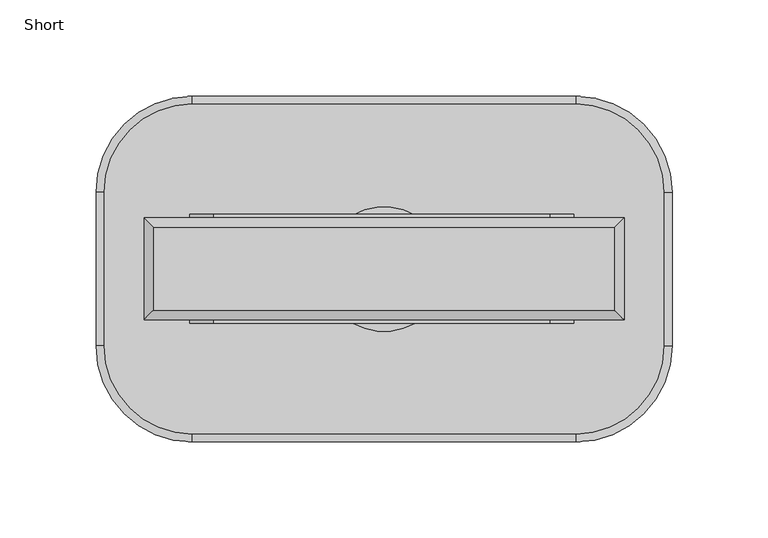
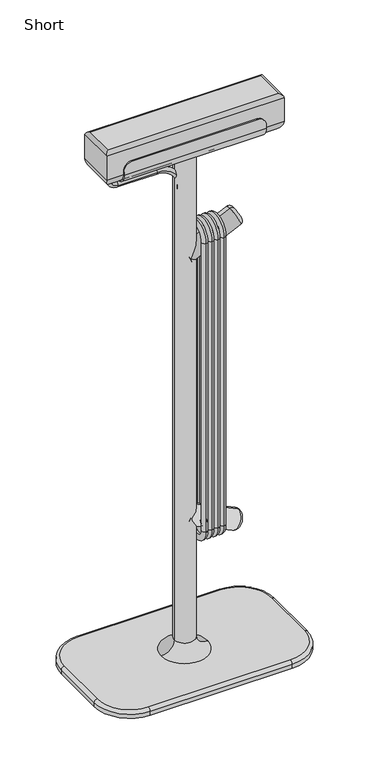
"""IFC4 building model written with IfcOpenShell, lengths in millimetres: furniture geometry, Short."""

from ifc_helpers import new_model, si_unit, point, frame, origin, place, context, project, spatial, polyline, circle_curve, ellipse_curve, trimmed, source, transform, mapped, element, save
from ifc_brep_helpers import plane_surface, cylinder_surface, revolved_surface, advanced_brep


def short_b7544786(model_context):
    return source(origin(), model_context, "Body", "AdvancedBrep", [
        advanced_brep(
        [(98.8922673, 26.5, 766.9), (98.8922673, 11.5, 751.9), (98.8922673, -11.5, 751.9), (98.8922673, -26.5, 766.9), (98.8922673, -26.5, 771.5), (98.8922673, -28.4, 771.5), (98.8922673, -28.4, 766.9010878), (98.8922673, -11.4989122, 750.0), (98.8922673, 11.5, 750.0), (98.8922673, 28.4, 766.9), (98.8922673, 28.4, 771.5), (98.8922673, 26.5, 771.5), (-101.1077081, 28.4, 766.9), (-101.1077081, 11.5, 750.0), (-101.1077081, -11.4989122, 750.0), (-101.1077081, -28.4, 766.9010878), (-101.1077081, -28.4, 771.5), (-101.1077081, -26.5, 771.5), (-101.1077081, -26.5, 766.9), (-101.1077081, -11.5, 751.9), (-101.1077081, 11.5, 751.9), (-101.1077081, 26.5, 766.9), (-101.1077081, 26.5, 771.5), (-101.1077081, 28.4, 771.5), (86.3922673, 26.5, 784.0), (-88.6077081, 26.5, 784.0), (-88.6077081, -26.5, 784.0), (86.3922673, -26.5, 784.0), (-88.6077081, -28.4, 784.0), (86.3922673, -28.4, 784.0), (-88.6077081, 28.4, 784.0), (86.3922673, 28.4, 784.0)],
        [
            (0, 1, circle_curve(frame((98.8922673, 11.5, 766.9), z_axis=(-1.0, 0.0, 0.0), x_axis=(0.0, 1.0, 0.0)), 15.0)),
            (1, 2),
            (2, 3, circle_curve(frame((98.8922673, -11.5, 766.9), z_axis=(-1.0, 0.0, 0.0), x_axis=(0.0, 1.0, 0.0)), 15.0)),
            (3, 4),
            (4, 5),
            (5, 6),
            (6, 7, circle_curve(frame((98.8922673, -11.4989122, 766.9010878), z_axis=(1.0, 0.0, 0.0), x_axis=(0.0, 1.0, 0.0)), 16.9010878)),
            (7, 8),
            (8, 9, circle_curve(frame((98.8922673, 11.5, 766.9), z_axis=(1.0, 0.0, 0.0), x_axis=(0.0, 1.0, 0.0)), 16.9)),
            (9, 10),
            (10, 11),
            (11, 0),
            (12, 13, circle_curve(frame((-101.1077081, 11.5, 766.9), z_axis=(-1.0, 0.0, 0.0), x_axis=(0.0, 1.0, 0.0)), 16.9)),
            (13, 14),
            (14, 15, circle_curve(frame((-101.1077081, -11.4989122, 766.9010878), z_axis=(-1.0, 0.0, 0.0), x_axis=(0.0, 1.0, 0.0)), 16.9010878)),
            (15, 16),
            (16, 17),
            (17, 18),
            (18, 19, circle_curve(frame((-101.1077081, -11.5, 766.9), z_axis=(1.0, 0.0, 0.0), x_axis=(0.0, 1.0, 0.0)), 15.0)),
            (19, 20),
            (20, 21, circle_curve(frame((-101.1077081, 11.5, 766.9), z_axis=(1.0, 0.0, 0.0), x_axis=(0.0, 1.0, 0.0)), 15.0)),
            (21, 22),
            (22, 23),
            (23, 12),
            (21, 0),
            (11, 24, circle_curve(frame((86.3922673, 26.5, 771.5), z_axis=(0.0, -1.0, 0.0), x_axis=(1.0, 0.0, 0.0)), 12.5)),
            (24, 25),
            (25, 22, circle_curve(frame((-88.6077081, 26.5, 771.5), z_axis=(0.0, -1.0, 0.0), x_axis=(1.0, 0.0, 0.0)), 12.5)),
            (20, 1),
            (19, 2),
            (18, 3),
            (17, 26, circle_curve(frame((-88.6077081, -26.5, 771.5), z_axis=(0.0, 1.0, 0.0), x_axis=(1.0, 0.0, 0.0)), 12.5)),
            (26, 27),
            (27, 4, circle_curve(frame((86.3922673, -26.5, 771.5), z_axis=(0.0, 1.0, 0.0), x_axis=(1.0, 0.0, 0.0)), 12.5)),
            (26, 28),
            (28, 29),
            (29, 27),
            (15, 6),
            (5, 29, circle_curve(frame((86.3922673, -28.4, 771.5), z_axis=(0.0, -1.0, 0.0), x_axis=(1.0, 0.0, 0.0)), 12.5)),
            (28, 16, circle_curve(frame((-88.6077081, -28.4, 771.5), z_axis=(0.0, -1.0, 0.0), x_axis=(1.0, 0.0, 0.0)), 12.5)),
            (14, 7),
            (13, 8),
            (12, 9),
            (23, 30, circle_curve(frame((-88.6077081, 28.4, 771.5), z_axis=(0.0, 1.0, 0.0), x_axis=(1.0, 0.0, 0.0)), 12.5)),
            (30, 31),
            (31, 10, circle_curve(frame((86.3922673, 28.4, 771.5), z_axis=(0.0, 1.0, 0.0), x_axis=(1.0, 0.0, 0.0)), 12.5)),
            (24, 31),
            (30, 25),
        ],
        [
            plane_surface(frame((98.8922673, 26.5, 784.0), z_axis=(1.0, 0.0, 0.0), x_axis=(0.0, 0.0, -1.0))),
            plane_surface(frame((-101.1077081, 26.5, 784.0), z_axis=(-1.0, 0.0, 0.0), x_axis=(0.0, 0.0, 1.0))),
            plane_surface(frame((98.8922673, 26.5, 784.0), z_axis=(0.0, -1.0, 0.0), x_axis=(-1.0, 0.0, 0.0))),
            revolved_surface(polyline([(-101.1077081, 26.5, 766.9), (98.89226729999999, 26.5, 766.9)]), (-101.1077081, 11.5, 766.9), (-1.0, 0.0, 0.0)),
            plane_surface(frame((98.8922673, 11.5, 751.9), z_axis=(0.0, 0.0, 1.0), x_axis=(-1.0, 0.0, 0.0))),
            revolved_surface(polyline([(-101.1077081, 3.5, 766.9), (98.89226729999999, 3.5, 766.9)]), (-101.1077081, -11.5, 766.9), (-1.0, 0.0, 0.0)),
            plane_surface(frame((98.8922673, -26.5, 766.9), z_axis=(0.0, 1.0, 0.0), x_axis=(-1.0, 0.0, 0.0))),
            plane_surface(frame((98.8922673, -26.5, 784.0), z_axis=(0.0, 0.0, 1.0), x_axis=(-1.0, 0.0, 0.0))),
            plane_surface(frame((98.8922673, -28.4, 784.0), z_axis=(0.0, -1.0, 0.0), x_axis=(-1.0, 0.0, 0.0))),
            cylinder_surface(frame((-101.1077081, -11.4989122, 766.9010878), z_axis=(1.0, 0.0, 0.0), x_axis=(0.0, 1.0, 0.0)), 16.9010878),
            plane_surface(frame((98.8922673, -11.4989122, 750.0), z_axis=(0.0, 0.0, -1.0), x_axis=(-1.0, 0.0, 0.0))),
            cylinder_surface(frame((-101.1077081, 11.5, 766.9), z_axis=(1.0, 0.0, 0.0), x_axis=(0.0, 1.0, 0.0)), 16.9),
            plane_surface(frame((98.8922673, 28.4, 766.9), z_axis=(0.0, 1.0, 0.0), x_axis=(-1.0, 0.0, 0.0))),
            plane_surface(frame((98.8922673, 28.4, 784.0), z_axis=(0.0, 0.0, 1.0), x_axis=(-1.0, 0.0, 0.0))),
            cylinder_surface(frame((-88.6077081, 90.0, 771.5), z_axis=(0.0, 1.0, 0.0), x_axis=(1.0, 0.0, 0.0)), 12.5),
            cylinder_surface(frame((86.3922673, 90.0, 771.5), z_axis=(0.0, 1.0, 0.0), x_axis=(1.0, 0.0, 0.0)), 12.5),
        ],
        [
            (0, [[1, 2, 3, 4, 5, 6, 7, 8, 9, 10, 11, 12]]),
            (1, [[13, 14, 15, 16, 17, 18, 19, 20, 21, 22, 23, 24]]),
            (2, [[25, -12, 26, 27, 28, -22]]),
            (3, [[-1, -25, -21, 29]]),
            (4, [[-2, -29, -20, 30]]),
            (5, [[-3, -30, -19, 31]]),
            (6, [[-31, -18, 32, 33, 34, -4]]),
            (7, [[-33, 35, 36, 37]]),
            (8, [[38, -6, 39, -36, 40, -16]]),
            (9, [[-7, -38, -15, 41]]),
            (10, [[-8, -41, -14, 42]]),
            (11, [[-9, -42, -13, 43]]),
            (12, [[-43, -24, 44, 45, 46, -10]]),
            (13, [[-27, 47, -45, 48]]),
            (14, [[-17, -40, -35, -32]]),
            (14, [[-23, -28, -48, -44]]),
            (15, [[-5, -34, -37, -39]]),
            (15, [[-11, -46, -47, -26]]),
        ],
    ),
        advanced_brep(
        [(-105.852797, 4.0, 765.8013473), (-105.852797, -4.0, 765.8013473), (-105.852797, 4.0, 744.9704551), (-105.852797, -4.0, 744.9704551), (-95.852797, -4.0, 734.9704551), (-95.852797, 4.0, 734.9704551), (-40.852797, 4.0, 734.9704551), (-40.852797, -4.0, 734.9704551), (-5.852797, -4.0, 699.9704551), (-5.852797, 4.0, 699.9704551), (-5.852797, 4.0, 696.8590643), (-5.852797, -4.0, 696.8590643)],
        [
            (0, 1, circle_curve(frame((-105.852797, 0.0, 765.8013473), z_axis=(0.0, 0.0, 1.0), x_axis=(0.0, -1.0, 0.0)), 4.0)),
            (1, 0, circle_curve(frame((-105.852797, 0.0, 765.8013473), z_axis=(0.0, 0.0, 1.0), x_axis=(0.0, -1.0, 0.0)), 4.0)),
            (0, 2),
            (2, 3, circle_curve(frame((-105.852797, 0.0, 744.9704551), z_axis=(0.0, 0.0, 1.0), x_axis=(0.0, -1.0, 0.0)), 4.0)),
            (3, 1),
            (3, 2, circle_curve(frame((-105.852797, 0.0, 744.9704551), z_axis=(0.0, 0.0, 1.0), x_axis=(0.0, -1.0, 0.0)), 4.0)),
            (4, 3, circle_curve(frame((-95.852797, -4.0, 744.9704551), z_axis=(0.0, 1.0, 0.0), x_axis=(-1.0, 0.0, 0.0)), 10.0)),
            (2, 5, circle_curve(frame((-95.852797, 4.0, 744.9704551), z_axis=(0.0, -1.0, 0.0), x_axis=(-1.0, 0.0, 0.0)), 10.0)),
            (5, 4, circle_curve(frame((-95.852797, 0.0, 734.9704551), z_axis=(-1.0, 0.0, 0.0), x_axis=(0.0, -1.0, 0.0)), 4.0)),
            (4, 5, circle_curve(frame((-95.852797, 0.0, 734.9704551), z_axis=(-1.0, 0.0, 0.0), x_axis=(0.0, -1.0, 0.0)), 4.0)),
            (5, 6),
            (6, 7, circle_curve(frame((-40.852797, 0.0, 734.9704551), z_axis=(-1.0, 0.0, 0.0), x_axis=(0.0, -1.0, 0.0)), 4.0)),
            (7, 4),
            (7, 6, circle_curve(frame((-40.852797, 0.0, 734.9704551), z_axis=(-1.0, 0.0, 0.0), x_axis=(0.0, -1.0, 0.0)), 4.0)),
            (8, 7, circle_curve(frame((-40.852797, -4.0, 699.9704551), z_axis=(0.0, -1.0, 0.0), x_axis=(0.0, 0.0, 1.0)), 35.0)),
            (6, 9, circle_curve(frame((-40.852797, 4.0, 699.9704551), z_axis=(0.0, 1.0, 0.0), x_axis=(0.0, 0.0, 1.0)), 35.0)),
            (9, 8, circle_curve(frame((-5.852797, 0.0, 699.9704551), z_axis=(0.0, 0.0, 1.0), x_axis=(0.0, -1.0, 0.0)), 4.0)),
            (8, 9, circle_curve(frame((-5.852797, 0.0, 699.9704551), z_axis=(0.0, 0.0, 1.0), x_axis=(0.0, -1.0, 0.0)), 4.0)),
            (10, 11, circle_curve(frame((-5.852797, 0.0, 696.8590643), z_axis=(0.0, 0.0, -1.0), x_axis=(0.0, -1.0, 0.0)), 4.0)),
            (11, 10, circle_curve(frame((-5.852797, 0.0, 696.8590643), z_axis=(0.0, 0.0, -1.0), x_axis=(0.0, -1.0, 0.0)), 4.0)),
            (9, 10),
            (11, 8),
        ],
        [
            plane_surface(frame((-105.852797, 0.0, 765.8013473), z_axis=(0.0, 0.0, 1.0), x_axis=(0.0, -1.0, 0.0))),
            cylinder_surface(frame((-105.852797, 0.0, 765.8013473), z_axis=(0.0, 0.0, 1.0), x_axis=(0.0, -1.0, 0.0)), 4.0),
            revolved_surface(trimmed(ellipse_curve(frame((-105.852797, 0.0, 744.9704551), z_axis=(0.0, 0.0, 1.0), x_axis=(0.0, -1.0, 0.0)), 4.0, 4.0), [point((-105.852797, 4.0, 744.9704551))], [point((-105.852797, -4.0, 744.9704551))], True, "CARTESIAN"), (-95.852797, 0.0, 744.9704551), (0.0, -1.0, 0.0)),
            revolved_surface(trimmed(ellipse_curve(frame((-105.852797, 0.0, 744.9704551), z_axis=(0.0, 0.0, 1.0), x_axis=(0.0, -1.0, 0.0)), 4.0, 4.0), [point((-105.852797, -4.0, 744.9704551))], [point((-105.852797, 4.0, 744.9704551))], True, "CARTESIAN"), (-95.852797, 0.0, 744.9704551), (0.0, -1.0, 0.0)),
            cylinder_surface(frame((-95.852797, 0.0, 734.9704551), z_axis=(-1.0, 0.0, 0.0), x_axis=(0.0, -1.0, 0.0)), 4.0),
            revolved_surface(trimmed(ellipse_curve(frame((-40.852797, 0.0, 734.9704551), z_axis=(-1.0, 0.0, 0.0), x_axis=(0.0, -1.0, 0.0)), 4.0, 4.0), [point((-40.852797, 4.0, 734.9704551))], [point((-40.852797, -4.0, 734.9704551))], True, "CARTESIAN"), (-40.852797, 0.0, 699.9704551), (0.0, 1.0, 0.0)),
            revolved_surface(trimmed(ellipse_curve(frame((-40.852797, 0.0, 734.9704551), z_axis=(-1.0, 0.0, 0.0), x_axis=(0.0, -1.0, 0.0)), 4.0, 4.0), [point((-40.852797, -4.0, 734.9704551))], [point((-40.852797, 4.0, 734.9704551))], True, "CARTESIAN"), (-40.852797, 0.0, 699.9704551), (0.0, 1.0, 0.0)),
            plane_surface(frame((-5.852797, 0.0, 696.8590643), z_axis=(0.0, 0.0, -1.0), x_axis=(0.0, -1.0, 0.0))),
            cylinder_surface(frame((-5.852797, 0.0, 699.9704551), z_axis=(0.0, 0.0, 1.0), x_axis=(0.0, -1.0, 0.0)), 4.0),
        ],
        [
            (0, [[1, 2]]),
            (1, [[-1, 3, 4, 5]]),
            (1, [[-2, -5, 6, -3]]),
            (2, [[7, -4, 8, 9]]),
            (3, [[-8, -6, -7, 10]]),
            (4, [[-9, 11, 12, 13]]),
            (4, [[-10, -13, 14, -11]]),
            (5, [[15, -12, 16, 17]]),
            (6, [[-16, -14, -15, 18]]),
            (7, [[19, 20]]),
            (8, [[-17, 21, -20, 22]]),
            (8, [[-18, -22, -19, -21]]),
        ],
    ),
        advanced_brep(
        [(5.9166557, 0.0, 585.2295086), (-5.9166557, 0.0, 610.6061266), (63.4618116, 0.0, 642.9578372), (75.2951229, 0.0, 617.5812192), (0.0, 0.0, 597.9178176), (77.7135705, 0.0, 624.2258494), (70.1064418, 0.0, 640.5393896), (73.9100062, 0.0, 632.3826195)],
        [
            (0, 1, circle_curve(frame((0.0, 0.0, 597.9178176), z_axis=(0.906307787036652, 0.0, 0.4226182617406954), x_axis=(-0.4226182617406953, 0.0, 0.9063077870366518)), 14.0)),
            (1, 2),
            (2, 3, circle_curve(frame((69.3784672, 0.0, 630.2695282), z_axis=(-0.906307787036652, 0.0, -0.4226182617406954), x_axis=(-0.4226182617406953, 0.0, 0.9063077870366518)), 14.0)),
            (3, 0),
            (1, 0, circle_curve(frame((0.0, 0.0, 597.9178176), z_axis=(0.906307787036652, 0.0, 0.4226182617406954), x_axis=(-0.4226182617406953, 0.0, 0.9063077870366518)), 14.0)),
            (3, 2, circle_curve(frame((69.3784672, 0.0, 630.2695282), z_axis=(-0.906307787036652, 0.0, -0.4226182617406954), x_axis=(-0.4226182617406953, 0.0, 0.9063077870366518)), 14.0)),
            (4, 1),
            (0, 4),
            (5, 6, circle_curve(frame((73.9100062, 0.0, 632.3826195), z_axis=(0.906307787036652, 0.0, 0.4226182617406954), x_axis=(-0.4226182617406953, 0.0, 0.9063077870366518)), 9.0)),
            (6, 7),
            (7, 5),
            (6, 5, circle_curve(frame((73.9100062, 0.0, 632.3826195), z_axis=(0.906307787036652, 0.0, 0.4226182617406954), x_axis=(-0.4226182617406953, 0.0, 0.9063077870366518)), 9.0)),
            (2, 6, circle_curve(frame((65.5749029, 0.0, 638.4262983), z_axis=(0.0, 1.0000000000000002, 0.0), x_axis=(1.0, 0.0, 0.0)), 5.0)),
            (5, 3, circle_curve(frame((73.1820316, 0.0, 622.1127581), z_axis=(0.0, 1.0000000000000002, 0.0), x_axis=(0.6427876096865464, 0.0, 0.7660444431189721)), 5.0)),
        ],
        [
            cylinder_surface(frame((82.973084, 0.0, 636.6088021), z_axis=(-0.9063077870366518, 0.0, -0.4226182617406953), x_axis=(-0.4226182617406953, 0.0, 0.9063077870366518)), 14.0),
            plane_surface(frame((0.0, 0.0, 597.9178176), z_axis=(-0.9063077870366519, 0.0, -0.42261826174069533), x_axis=(-0.42261826174069533, 0.0, 0.9063077870366519))),
            plane_surface(frame((73.9100062, 0.0, 632.3826195), z_axis=(0.9063077870366519, 0.0, 0.42261826174069533), x_axis=(-0.42261826174069533, 0.0, 0.9063077870366519))),
            revolved_surface(trimmed(ellipse_curve(frame((65.5749029, 0.0, 638.4262983), z_axis=(0.0, -1.0000000000000002, 0.0), x_axis=(1.0, 0.0, 0.0)), 5.0, 5.0), [point((70.1064418, 0.0, 640.5393896))], [point((63.4618116, 0.0, 642.9578372))], True, "CARTESIAN"), (82.973084, 0.0, 636.6088021), (-0.9063077870366518, 0.0, -0.4226182617406953)),
        ],
        [
            (0, [[1, 2, 3, 4]]),
            (0, [[5, -4, 6, -2]]),
            (1, [[7, -1, 8]]),
            (1, [[-8, -5, -7]]),
            (2, [[9, 10, 11]]),
            (2, [[12, -11, -10]]),
            (3, [[-3, 13, -9, 14]]),
            (3, [[-6, -14, -12, -13]]),
        ],
    ),
        advanced_brep(
        [(73.9100062, 0.0, 176.529813), (70.1064418, 0.0, 168.3730429), (77.7135705, 0.0, 184.6865831), (5.9166557, 0.0, 223.6829239), (-5.9166557, 0.0, 198.3063059), (0.0, 0.0, 210.9946149), (75.2951229, 0.0, 191.3312133), (63.4618116, 0.0, 165.9545953)],
        [
            (0, 1),
            (1, 2, circle_curve(frame((73.9100062, 0.0, 176.529813), z_axis=(0.9063077870366482, 0.0, -0.4226182617407033), x_axis=(-0.4226182617407033, 0.0, -0.9063077870366482)), 9.0)),
            (2, 0),
            (2, 1, circle_curve(frame((73.9100062, 0.0, 176.529813), z_axis=(0.9063077870366482, 0.0, -0.4226182617407033), x_axis=(-0.4226182617407033, 0.0, -0.9063077870366482)), 9.0)),
            (3, 4, circle_curve(frame((0.0, 0.0, 210.9946149), z_axis=(-0.9063077870366482, 0.0, 0.4226182617407033), x_axis=(-0.4226182617407033, 0.0, -0.9063077870366482)), 14.0)),
            (4, 5),
            (5, 3),
            (4, 3, circle_curve(frame((0.0, 0.0, 210.9946149), z_axis=(-0.9063077870366482, 0.0, 0.4226182617407033), x_axis=(-0.4226182617407033, 0.0, -0.9063077870366482)), 14.0)),
            (6, 7, circle_curve(frame((69.3784672, 0.0, 178.6429043), z_axis=(-0.9063077870366482, 0.0, 0.4226182617407033), x_axis=(-0.4226182617407033, 0.0, -0.9063077870366482)), 14.0)),
            (7, 4),
            (3, 6),
            (7, 6, circle_curve(frame((69.3784672, 0.0, 178.6429043), z_axis=(-0.9063077870366482, 0.0, 0.4226182617407033), x_axis=(-0.4226182617407033, 0.0, -0.9063077870366482)), 14.0)),
            (1, 7, circle_curve(frame((65.5749029, 0.0, 170.4861342), z_axis=(0.0, 1.0, 0.0), x_axis=(1.0, 0.0, 0.0)), 5.0)),
            (6, 2, circle_curve(frame((73.1820316, 0.0, 186.7996744), z_axis=(0.0, 1.0, 0.0), x_axis=(0.6427876096865328, 0.0, -0.7660444431189836)), 5.0)),
        ],
        [
            plane_surface(frame((73.9100062, 0.0, 176.529813), z_axis=(0.9063077870366482, 0.0, -0.4226182617407033), x_axis=(-0.4226182617407033, 0.0, -0.9063077870366482))),
            plane_surface(frame((0.0, 0.0, 210.9946149), z_axis=(-0.9063077870366482, 0.0, 0.4226182617407033), x_axis=(-0.4226182617407033, 0.0, -0.9063077870366482))),
            cylinder_surface(frame((78.4415451, 0.0, 174.4167217), z_axis=(0.9063077870366482, 0.0, -0.4226182617407033), x_axis=(-0.4226182617407033, 0.0, -0.9063077870366482)), 14.0),
            revolved_surface(trimmed(ellipse_curve(frame((65.5749029, 0.0, 170.4861342), z_axis=(0.0, -1.0, 0.0), x_axis=(1.0, 0.0, 0.0)), 5.0, 5.0), [point((63.4618116, 0.0, 165.9545953))], [point((70.1064418, 0.0, 168.3730429))], True, "CARTESIAN"), (78.4415451, 0.0, 174.4167217), (0.9063077870366482, 0.0, -0.4226182617407033)),
        ],
        [
            (0, [[1, 2, 3]]),
            (0, [[-3, 4, -1]]),
            (1, [[5, 6, 7]]),
            (1, [[8, -7, -6]]),
            (2, [[9, 10, -5, 11]]),
            (2, [[12, -11, -8, -10]]),
            (3, [[-2, 13, -9, 14]]),
            (3, [[-4, -14, -12, -13]]),
        ],
    ),
        advanced_brep(
        [(125.0, -26.5, 802.0), (125.0, -26.5, 766.9), (125.0, 26.5, 766.9), (125.0, 26.5, 802.0), (-125.0, 26.5, 802.0), (-125.0, 26.5, 766.9), (-125.0, -26.5, 766.9), (-125.0, -26.5, 802.0), (110.0, 11.5, 751.9), (110.0, -11.5, 751.9), (-110.0, -11.5, 751.9), (-110.0, 11.5, 751.9), (120.0, -21.5, 807.0), (120.0, 21.5, 807.0), (-120.0, 21.5, 807.0), (-120.0, -21.5, 807.0)],
        [
            (0, 1),
            (1, 2),
            (2, 3),
            (3, 0),
            (4, 5),
            (5, 6),
            (6, 7),
            (7, 4),
            (0, 7),
            (6, 1),
            (8, 9),
            (9, 10),
            (10, 11),
            (11, 8),
            (2, 5),
            (4, 3),
            (12, 13),
            (13, 14),
            (14, 15),
            (15, 12),
            (12, 0, ellipse_curve(frame((120.0, -21.5, 802.0), z_axis=(0.7071067811865475, 0.7071067811865475, 0.0), x_axis=(0.7071067811865474, -0.7071067811865476, 0.0)), 7.0710678, 5.0)),
            (3, 13, ellipse_curve(frame((120.0, 21.5, 802.0), z_axis=(0.7071067811865475, -0.7071067811865475, 0.0), x_axis=(-0.7071067811865474, -0.7071067811865476, 0.0)), 7.0710678, 5.0)),
            (1, 9, ellipse_curve(frame((110.0, -11.5, 766.9), z_axis=(0.7071067811865475, 0.7071067811865475, 0.0), x_axis=(0.7071067811865474, -0.7071067811865476, 0.0)), 21.2132034, 15.0)),
            (8, 2, ellipse_curve(frame((110.0, 11.5, 766.9), z_axis=(0.7071067811865475, -0.7071067811865475, 0.0), x_axis=(-0.7071067811865474, -0.7071067811865476, 0.0)), 21.2132034, 15.0)),
            (15, 7, ellipse_curve(frame((-120.0, -21.5, 802.0), z_axis=(0.7071067811865475, -0.7071067811865475, 0.0), x_axis=(-0.7071067811865476, -0.7071067811865474, 0.0)), 7.0710678, 5.0)),
            (6, 10, ellipse_curve(frame((-110.0, -11.5, 766.9), z_axis=(0.7071067811865475, -0.7071067811865475, 0.0), x_axis=(-0.7071067811865476, -0.7071067811865474, 0.0)), 21.2132034, 15.0)),
            (14, 4, ellipse_curve(frame((-120.0, 21.5, 802.0), z_axis=(-0.7071067811865475, -0.7071067811865475, 0.0), x_axis=(-0.7071067811865474, 0.7071067811865476, 0.0)), 7.0710678, 5.0)),
            (5, 11, ellipse_curve(frame((-110.0, 11.5, 766.9), z_axis=(-0.7071067811865475, -0.7071067811865475, 0.0), x_axis=(-0.7071067811865474, 0.7071067811865476, 0.0)), 21.2132034, 15.0)),
        ],
        [
            plane_surface(frame((125.0, -26.5, 807.0), z_axis=(1.0, 0.0, 0.0), x_axis=(0.0, 0.0, -1.0))),
            plane_surface(frame((-125.0, -26.5, 807.0), z_axis=(-1.0, 0.0, 0.0), x_axis=(0.0, 0.0, 1.0))),
            plane_surface(frame((125.0, -26.5, 807.0), z_axis=(0.0, -1.0, 0.0), x_axis=(-1.0, 0.0, 0.0))),
            plane_surface(frame((125.0, -26.5, 751.9), z_axis=(0.0, 0.0, -1.0), x_axis=(-1.0, 0.0, 0.0))),
            plane_surface(frame((125.0, 26.5, 751.9), z_axis=(0.0, 1.0, 0.0), x_axis=(-1.0, 0.0, 0.0))),
            plane_surface(frame((125.0, 26.5, 807.0), z_axis=(0.0, 0.0, 1.0), x_axis=(-1.0, 0.0, 0.0))),
            cylinder_surface(frame((120.0, 26.5, 802.0), z_axis=(0.0, -1.0, 0.0), x_axis=(1.0, 0.0, 0.0)), 5.0),
            cylinder_surface(frame((110.0, 26.5, 766.9), z_axis=(0.0, -1.0, 0.0), x_axis=(1.0, 0.0, 0.0)), 15.0),
            cylinder_surface(frame((125.0, -21.5, 802.0), z_axis=(-1.0, 0.0, 0.0), x_axis=(0.0, -1.0, 0.0)), 5.0),
            cylinder_surface(frame((125.0, -11.5, 766.9), z_axis=(-1.0, 0.0, 0.0), x_axis=(0.0, -1.0, 0.0)), 15.0),
            cylinder_surface(frame((-120.0, -26.5, 802.0), z_axis=(0.0, 1.0, 0.0), x_axis=(-1.0, 0.0, 0.0)), 5.0),
            cylinder_surface(frame((-110.0, -26.5, 766.9), z_axis=(0.0, 1.0, 0.0), x_axis=(-1.0, 0.0, 0.0)), 15.0),
            cylinder_surface(frame((-125.0, 21.5, 802.0), z_axis=(1.0, 0.0, 0.0), x_axis=(0.0, 1.0, 0.0)), 5.0),
            cylinder_surface(frame((-125.0, 11.5, 766.9), z_axis=(1.0, 0.0, 0.0), x_axis=(0.0, 1.0, 0.0)), 15.0),
        ],
        [
            (0, [[1, 2, 3, 4]]),
            (1, [[5, 6, 7, 8]]),
            (2, [[-1, 9, -7, 10]]),
            (3, [[11, 12, 13, 14]]),
            (4, [[-3, 15, -5, 16]]),
            (5, [[17, 18, 19, 20]]),
            (6, [[21, -4, 22, -17]]),
            (7, [[23, -11, 24, -2]]),
            (8, [[-21, -20, 25, -9]]),
            (9, [[-23, -10, 26, -12]]),
            (10, [[-25, -19, 27, -8]]),
            (11, [[-26, -6, 28, -13]]),
            (12, [[-22, -16, -27, -18]]),
            (13, [[-24, -14, -28, -15]]),
        ],
    ),
        advanced_brep(
        [(18.0, 22.0, 620.0), (18.0, -22.0, 620.0), (18.0, -14.0, 620.0), (18.0, 14.0, 620.0), (18.0, 14.0, 190.0), (18.0, 22.0, 190.0), (18.0, -22.0, 190.0), (18.0, -14.0, 190.0)],
        [
            (0, 1, circle_curve(frame((18.0, 0.0, 620.0), z_axis=(1.0, 0.0, 0.0), x_axis=(0.0, -1.0, 0.0)), 22.0)),
            (1, 2, circle_curve(frame((18.0, -18.0, 620.0), z_axis=(0.0, 0.0, 1.0), x_axis=(0.0, -1.0, 0.0)), 4.0)),
            (2, 3, circle_curve(frame((18.0, 0.0, 620.0), z_axis=(-1.0, 0.0, 0.0), x_axis=(0.0, -1.0, 0.0)), 14.0)),
            (3, 0, circle_curve(frame((18.0, 18.0, 620.0), z_axis=(0.0, 0.0, 1.0), x_axis=(0.0, 1.0, 0.0)), 4.0)),
            (2, 1, circle_curve(frame((18.0, -18.0, 620.0), z_axis=(0.0, 0.0, 1.0), x_axis=(0.0, -1.0, 0.0)), 4.0)),
            (0, 3, circle_curve(frame((18.0, 18.0, 620.0), z_axis=(0.0, 0.0, 1.0), x_axis=(0.0, 1.0, 0.0)), 4.0)),
            (3, 4),
            (4, 5, circle_curve(frame((18.0, 18.0, 190.0), z_axis=(0.0, 0.0, 1.0), x_axis=(0.0, 1.0, 0.0)), 4.0)),
            (5, 0),
            (5, 4, circle_curve(frame((18.0, 18.0, 190.0), z_axis=(0.0, 0.0, 1.0), x_axis=(0.0, 1.0, 0.0)), 4.0)),
            (6, 5, circle_curve(frame((18.0, 0.0, 190.0), z_axis=(1.0, 0.0, 0.0), x_axis=(0.0, 1.0, 0.0)), 22.0)),
            (4, 7, circle_curve(frame((18.0, 0.0, 190.0), z_axis=(-1.0, 0.0, 0.0), x_axis=(0.0, 1.0, 0.0)), 14.0)),
            (7, 6, circle_curve(frame((18.0, -18.0, 190.0), z_axis=(0.0, 0.0, -1.0), x_axis=(0.0, -1.0, 0.0)), 4.0)),
            (6, 7, circle_curve(frame((18.0, -18.0, 190.0), z_axis=(0.0, 0.0, -1.0), x_axis=(0.0, -1.0, 0.0)), 4.0)),
            (7, 2),
            (1, 6),
        ],
        [
            revolved_surface(trimmed(ellipse_curve(frame((18.0, -18.0, 620.0), z_axis=(0.0, 0.0, -1.0), x_axis=(0.0, -1.0, 0.0)), 4.0, 4.0), [point((18.0, -14.0, 620.0))], [point((18.0, -22.0, 620.0))], True, "CARTESIAN"), (18.0, 0.0, 620.0), (-1.0, 0.0, 0.0)),
            revolved_surface(trimmed(ellipse_curve(frame((18.0, -18.0, 620.0), z_axis=(0.0, 0.0, -1.0), x_axis=(0.0, -1.0, 0.0)), 4.0, 4.0), [point((18.0, -22.0, 620.0))], [point((18.0, -14.0, 620.0))], True, "CARTESIAN"), (18.0, 0.0, 620.0), (-1.0, 0.0, 0.0)),
            cylinder_surface(frame((18.0, 18.0, 620.0), z_axis=(0.0, 0.0, 1.0), x_axis=(0.0, 1.0, 0.0)), 4.0),
            revolved_surface(trimmed(ellipse_curve(frame((18.0, 18.0, 190.0), z_axis=(0.0, 0.0, 1.0), x_axis=(0.0, 1.0, 0.0)), 4.0, 4.0), [point((18.0, 14.0, 190.0))], [point((18.0, 22.0, 190.0))], True, "CARTESIAN"), (18.0, 0.0, 190.0), (-1.0, 0.0, 0.0)),
            revolved_surface(trimmed(ellipse_curve(frame((18.0, 18.0, 190.0), z_axis=(0.0, 0.0, 1.0), x_axis=(0.0, 1.0, 0.0)), 4.0, 4.0), [point((18.0, 22.0, 190.0))], [point((18.0, 14.0, 190.0))], True, "CARTESIAN"), (18.0, 0.0, 190.0), (-1.0, 0.0, 0.0)),
            cylinder_surface(frame((18.0, -18.0, 190.0), z_axis=(0.0, 0.0, -1.0), x_axis=(0.0, -1.0, 0.0)), 4.0),
        ],
        [
            (0, [[1, 2, 3, 4]]),
            (1, [[-3, 5, -1, 6]]),
            (2, [[-4, 7, 8, 9]]),
            (2, [[-6, -9, 10, -7]]),
            (3, [[11, -8, 12, 13]]),
            (4, [[-12, -10, -11, 14]]),
            (5, [[-13, 15, -2, 16]]),
            (5, [[-14, -16, -5, -15]]),
        ],
    ),
        advanced_brep(
        [(26.5, 22.0, 620.0), (26.5, -22.0, 620.0), (26.5, -14.0, 620.0), (26.5, 14.0, 620.0), (26.5, 14.0, 190.0), (26.5, 22.0, 190.0), (26.5, -22.0, 190.0), (26.5, -14.0, 190.0)],
        [
            (0, 1, circle_curve(frame((26.5, 0.0, 620.0), z_axis=(1.0, 0.0, 0.0), x_axis=(0.0, -1.0, 0.0)), 22.0)),
            (1, 2, circle_curve(frame((26.5, -18.0, 620.0), z_axis=(0.0, 0.0, 1.0), x_axis=(0.0, -1.0, 0.0)), 4.0)),
            (2, 3, circle_curve(frame((26.5, 0.0, 620.0), z_axis=(-1.0, 0.0, 0.0), x_axis=(0.0, -1.0, 0.0)), 14.0)),
            (3, 0, circle_curve(frame((26.5, 18.0, 620.0), z_axis=(0.0, 0.0, 1.0), x_axis=(0.0, 1.0, 0.0)), 4.0)),
            (2, 1, circle_curve(frame((26.5, -18.0, 620.0), z_axis=(0.0, 0.0, 1.0), x_axis=(0.0, -1.0, 0.0)), 4.0)),
            (0, 3, circle_curve(frame((26.5, 18.0, 620.0), z_axis=(0.0, 0.0, 1.0), x_axis=(0.0, 1.0, 0.0)), 4.0)),
            (3, 4),
            (4, 5, circle_curve(frame((26.5, 18.0, 190.0), z_axis=(0.0, 0.0, 1.0), x_axis=(0.0, 1.0, 0.0)), 4.0)),
            (5, 0),
            (5, 4, circle_curve(frame((26.5, 18.0, 190.0), z_axis=(0.0, 0.0, 1.0), x_axis=(0.0, 1.0, 0.0)), 4.0)),
            (6, 5, circle_curve(frame((26.5, 0.0, 190.0), z_axis=(1.0, 0.0, 0.0), x_axis=(0.0, 1.0, 0.0)), 22.0)),
            (4, 7, circle_curve(frame((26.5, 0.0, 190.0), z_axis=(-1.0, 0.0, 0.0), x_axis=(0.0, 1.0, 0.0)), 14.0)),
            (7, 6, circle_curve(frame((26.5, -18.0, 190.0), z_axis=(0.0, 0.0, -1.0), x_axis=(0.0, -1.0, 0.0)), 4.0)),
            (6, 7, circle_curve(frame((26.5, -18.0, 190.0), z_axis=(0.0, 0.0, -1.0), x_axis=(0.0, -1.0, 0.0)), 4.0)),
            (7, 2),
            (1, 6),
        ],
        [
            revolved_surface(trimmed(ellipse_curve(frame((26.5, -18.0, 620.0), z_axis=(0.0, 0.0, -1.0), x_axis=(0.0, -1.0, 0.0)), 4.0, 4.0), [point((26.5, -14.0, 620.0))], [point((26.5, -22.0, 620.0))], True, "CARTESIAN"), (18.0, 0.0, 620.0), (-1.0, 0.0, 0.0)),
            revolved_surface(trimmed(ellipse_curve(frame((26.5, -18.0, 620.0), z_axis=(0.0, 0.0, -1.0), x_axis=(0.0, -1.0, 0.0)), 4.0, 4.0), [point((26.5, -22.0, 620.0))], [point((26.5, -14.0, 620.0))], True, "CARTESIAN"), (18.0, 0.0, 620.0), (-1.0, 0.0, 0.0)),
            cylinder_surface(frame((26.5, 18.0, 620.0), z_axis=(0.0, 0.0, 1.0), x_axis=(0.0, 1.0, 0.0)), 4.0),
            revolved_surface(trimmed(ellipse_curve(frame((26.5, 18.0, 190.0), z_axis=(0.0, 0.0, 1.0), x_axis=(0.0, 1.0, 0.0)), 4.0, 4.0), [point((26.5, 14.0, 190.0))], [point((26.5, 22.0, 190.0))], True, "CARTESIAN"), (18.0, 0.0, 190.0), (-1.0, 0.0, 0.0)),
            revolved_surface(trimmed(ellipse_curve(frame((26.5, 18.0, 190.0), z_axis=(0.0, 0.0, 1.0), x_axis=(0.0, 1.0, 0.0)), 4.0, 4.0), [point((26.5, 22.0, 190.0))], [point((26.5, 14.0, 190.0))], True, "CARTESIAN"), (18.0, 0.0, 190.0), (-1.0, 0.0, 0.0)),
            cylinder_surface(frame((26.5, -18.0, 190.0), z_axis=(0.0, 0.0, -1.0), x_axis=(0.0, -1.0, 0.0)), 4.0),
        ],
        [
            (0, [[1, 2, 3, 4]]),
            (1, [[-3, 5, -1, 6]]),
            (2, [[-4, 7, 8, 9]]),
            (2, [[-6, -9, 10, -7]]),
            (3, [[11, -8, 12, 13]]),
            (4, [[-12, -10, -11, 14]]),
            (5, [[-13, 15, -2, 16]]),
            (5, [[-14, -16, -5, -15]]),
        ],
    ),
        advanced_brep(
        [(35.0, 22.0, 620.0), (35.0, -22.0, 620.0), (35.0, -14.0, 620.0), (35.0, 14.0, 620.0), (35.0, 14.0, 190.0), (35.0, 22.0, 190.0), (35.0, -22.0, 190.0), (35.0, -14.0, 190.0)],
        [
            (0, 1, circle_curve(frame((35.0, 0.0, 620.0), z_axis=(1.0, 0.0, 0.0), x_axis=(0.0, -1.0, 0.0)), 22.0)),
            (1, 2, circle_curve(frame((35.0, -18.0, 620.0), z_axis=(0.0, 0.0, 1.0), x_axis=(0.0, -1.0, 0.0)), 4.0)),
            (2, 3, circle_curve(frame((35.0, 0.0, 620.0), z_axis=(-1.0, 0.0, 0.0), x_axis=(0.0, -1.0, 0.0)), 14.0)),
            (3, 0, circle_curve(frame((35.0, 18.0, 620.0), z_axis=(0.0, 0.0, 1.0), x_axis=(0.0, 1.0, 0.0)), 4.0)),
            (2, 1, circle_curve(frame((35.0, -18.0, 620.0), z_axis=(0.0, 0.0, 1.0), x_axis=(0.0, -1.0, 0.0)), 4.0)),
            (0, 3, circle_curve(frame((35.0, 18.0, 620.0), z_axis=(0.0, 0.0, 1.0), x_axis=(0.0, 1.0, 0.0)), 4.0)),
            (3, 4),
            (4, 5, circle_curve(frame((35.0, 18.0, 190.0), z_axis=(0.0, 0.0, 1.0), x_axis=(0.0, 1.0, 0.0)), 4.0)),
            (5, 0),
            (5, 4, circle_curve(frame((35.0, 18.0, 190.0), z_axis=(0.0, 0.0, 1.0), x_axis=(0.0, 1.0, 0.0)), 4.0)),
            (6, 5, circle_curve(frame((35.0, 0.0, 190.0), z_axis=(1.0, 0.0, 0.0), x_axis=(0.0, 1.0, 0.0)), 22.0)),
            (4, 7, circle_curve(frame((35.0, 0.0, 190.0), z_axis=(-1.0, 0.0, 0.0), x_axis=(0.0, 1.0, 0.0)), 14.0)),
            (7, 6, circle_curve(frame((35.0, -18.0, 190.0), z_axis=(0.0, 0.0, -1.0), x_axis=(0.0, -1.0, 0.0)), 4.0)),
            (6, 7, circle_curve(frame((35.0, -18.0, 190.0), z_axis=(0.0, 0.0, -1.0), x_axis=(0.0, -1.0, 0.0)), 4.0)),
            (7, 2),
            (1, 6),
        ],
        [
            revolved_surface(trimmed(ellipse_curve(frame((35.0, -18.0, 620.0), z_axis=(0.0, 0.0, -1.0), x_axis=(0.0, -1.0, 0.0)), 4.0, 4.0), [point((35.0, -14.0, 620.0))], [point((35.0, -22.0, 620.0))], True, "CARTESIAN"), (18.0, 0.0, 620.0), (-1.0, 0.0, 0.0)),
            revolved_surface(trimmed(ellipse_curve(frame((35.0, -18.0, 620.0), z_axis=(0.0, 0.0, -1.0), x_axis=(0.0, -1.0, 0.0)), 4.0, 4.0), [point((35.0, -22.0, 620.0))], [point((35.0, -14.0, 620.0))], True, "CARTESIAN"), (18.0, 0.0, 620.0), (-1.0, 0.0, 0.0)),
            cylinder_surface(frame((35.0, 18.0, 620.0), z_axis=(0.0, 0.0, 1.0), x_axis=(0.0, 1.0, 0.0)), 4.0),
            revolved_surface(trimmed(ellipse_curve(frame((35.0, 18.0, 190.0), z_axis=(0.0, 0.0, 1.0), x_axis=(0.0, 1.0, 0.0)), 4.0, 4.0), [point((35.0, 14.0, 190.0))], [point((35.0, 22.0, 190.0))], True, "CARTESIAN"), (18.0, 0.0, 190.0), (-1.0, 0.0, 0.0)),
            revolved_surface(trimmed(ellipse_curve(frame((35.0, 18.0, 190.0), z_axis=(0.0, 0.0, 1.0), x_axis=(0.0, 1.0, 0.0)), 4.0, 4.0), [point((35.0, 22.0, 190.0))], [point((35.0, 14.0, 190.0))], True, "CARTESIAN"), (18.0, 0.0, 190.0), (-1.0, 0.0, 0.0)),
            cylinder_surface(frame((35.0, -18.0, 190.0), z_axis=(0.0, 0.0, -1.0), x_axis=(0.0, -1.0, 0.0)), 4.0),
        ],
        [
            (0, [[1, 2, 3, 4]]),
            (1, [[-3, 5, -1, 6]]),
            (2, [[-4, 7, 8, 9]]),
            (2, [[-6, -9, 10, -7]]),
            (3, [[11, -8, 12, 13]]),
            (4, [[-12, -10, -11, 14]]),
            (5, [[-13, 15, -2, 16]]),
            (5, [[-14, -16, -5, -15]]),
        ],
    ),
        advanced_brep(
        [(43.5, 22.0, 620.0), (43.5, -22.0, 620.0), (43.5, -14.0, 620.0), (43.5, 14.0, 620.0), (43.5, 14.0, 190.0), (43.5, 22.0, 190.0), (43.5, -22.0, 190.0), (43.5, -14.0, 190.0)],
        [
            (0, 1, circle_curve(frame((43.5, 0.0, 620.0), z_axis=(1.0, 0.0, 0.0), x_axis=(0.0, -1.0, 0.0)), 22.0)),
            (1, 2, circle_curve(frame((43.5, -18.0, 620.0), z_axis=(0.0, 0.0, 1.0), x_axis=(0.0, -1.0, 0.0)), 4.0)),
            (2, 3, circle_curve(frame((43.5, 0.0, 620.0), z_axis=(-1.0, 0.0, 0.0), x_axis=(0.0, -1.0, 0.0)), 14.0)),
            (3, 0, circle_curve(frame((43.5, 18.0, 620.0), z_axis=(0.0, 0.0, 1.0), x_axis=(0.0, 1.0, 0.0)), 4.0)),
            (2, 1, circle_curve(frame((43.5, -18.0, 620.0), z_axis=(0.0, 0.0, 1.0), x_axis=(0.0, -1.0, 0.0)), 4.0)),
            (0, 3, circle_curve(frame((43.5, 18.0, 620.0), z_axis=(0.0, 0.0, 1.0), x_axis=(0.0, 1.0, 0.0)), 4.0)),
            (3, 4),
            (4, 5, circle_curve(frame((43.5, 18.0, 190.0), z_axis=(0.0, 0.0, 1.0), x_axis=(0.0, 1.0, 0.0)), 4.0)),
            (5, 0),
            (5, 4, circle_curve(frame((43.5, 18.0, 190.0), z_axis=(0.0, 0.0, 1.0), x_axis=(0.0, 1.0, 0.0)), 4.0)),
            (6, 5, circle_curve(frame((43.5, 0.0, 190.0), z_axis=(1.0, 0.0, 0.0), x_axis=(0.0, 1.0, 0.0)), 22.0)),
            (4, 7, circle_curve(frame((43.5, 0.0, 190.0), z_axis=(-1.0, 0.0, 0.0), x_axis=(0.0, 1.0, 0.0)), 14.0)),
            (7, 6, circle_curve(frame((43.5, -18.0, 190.0), z_axis=(0.0, 0.0, -1.0), x_axis=(0.0, -1.0, 0.0)), 4.0)),
            (6, 7, circle_curve(frame((43.5, -18.0, 190.0), z_axis=(0.0, 0.0, -1.0), x_axis=(0.0, -1.0, 0.0)), 4.0)),
            (7, 2),
            (1, 6),
        ],
        [
            revolved_surface(trimmed(ellipse_curve(frame((43.5, -18.0, 620.0), z_axis=(0.0, 0.0, -1.0), x_axis=(0.0, -1.0, 0.0)), 4.0, 4.0), [point((43.5, -14.0, 620.0))], [point((43.5, -22.0, 620.0))], True, "CARTESIAN"), (18.0, 0.0, 620.0), (-1.0, 0.0, 0.0)),
            revolved_surface(trimmed(ellipse_curve(frame((43.5, -18.0, 620.0), z_axis=(0.0, 0.0, -1.0), x_axis=(0.0, -1.0, 0.0)), 4.0, 4.0), [point((43.5, -22.0, 620.0))], [point((43.5, -14.0, 620.0))], True, "CARTESIAN"), (18.0, 0.0, 620.0), (-1.0, 0.0, 0.0)),
            cylinder_surface(frame((43.5, 18.0, 620.0), z_axis=(0.0, 0.0, 1.0), x_axis=(0.0, 1.0, 0.0)), 4.0),
            revolved_surface(trimmed(ellipse_curve(frame((43.5, 18.0, 190.0), z_axis=(0.0, 0.0, 1.0), x_axis=(0.0, 1.0, 0.0)), 4.0, 4.0), [point((43.5, 14.0, 190.0))], [point((43.5, 22.0, 190.0))], True, "CARTESIAN"), (18.0, 0.0, 190.0), (-1.0, 0.0, 0.0)),
            revolved_surface(trimmed(ellipse_curve(frame((43.5, 18.0, 190.0), z_axis=(0.0, 0.0, 1.0), x_axis=(0.0, 1.0, 0.0)), 4.0, 4.0), [point((43.5, 22.0, 190.0))], [point((43.5, 14.0, 190.0))], True, "CARTESIAN"), (18.0, 0.0, 190.0), (-1.0, 0.0, 0.0)),
            cylinder_surface(frame((43.5, -18.0, 190.0), z_axis=(0.0, 0.0, -1.0), x_axis=(0.0, -1.0, 0.0)), 4.0),
        ],
        [
            (0, [[1, 2, 3, 4]]),
            (1, [[-3, 5, -1, 6]]),
            (2, [[-4, 7, 8, 9]]),
            (2, [[-6, -9, 10, -7]]),
            (3, [[11, -8, 12, 13]]),
            (4, [[-12, -10, -11, 14]]),
            (5, [[-13, 15, -2, 16]]),
            (5, [[-14, -16, -5, -15]]),
        ],
    ),
        advanced_brep(
        [(150.0, 40.0, 6.0), (100.0, 90.0, 6.0), (100.0, 86.0, 10.0), (146.0, 40.0, 10.0), (150.0, 40.0, 0.0), (100.0, 90.0, 0.0), (146.0, -40.0, 10.0), (150.0, -40.0, 6.0), (150.0, -40.0, 0.0), (100.0, -86.0, 10.0), (100.0, -90.0, 6.0), (100.0, -90.0, 0.0), (-100.0, -86.0, 10.0), (-100.0, -90.0, 6.0), (-100.0, -90.0, 0.0), (-146.0, -40.0, 10.0), (-150.0, -40.0, 6.0), (-150.0, -40.0, 0.0), (-146.0, 40.0, 10.0), (-150.0, 40.0, 6.0), (-150.0, 40.0, 0.0), (-100.0, 86.0, 10.0), (-100.0, 90.0, 6.0), (-100.0, 90.0, 0.0), (-32.5, 0.0, 10.0), (32.5, 0.0, 10.0), (14.5, 0.0, 750.0), (-14.5, 0.0, 750.0), (0.0, 0.0, 750.0), (14.5, 0.0, 28.0), (-14.5, 0.0, 28.0)],
        [
            (0, 1, circle_curve(frame((100.0, 40.0, 6.0), z_axis=(0.0, 0.0, 1.0), x_axis=(0.0, 1.0, 0.0)), 50.0)),
            (1, 2, circle_curve(frame((100.0, 86.0, 6.0), z_axis=(1.0, 0.0, 0.0), x_axis=(0.0, 1.0, 0.0)), 4.0)),
            (2, 3, circle_curve(frame((100.0, 40.0, 10.0), z_axis=(0.0, 0.0, -1.0), x_axis=(0.0, 1.0, 0.0)), 46.0)),
            (3, 0, circle_curve(frame((146.0, 40.0, 6.0), z_axis=(0.0, 1.0, 0.0), x_axis=(1.0, 0.0, 0.0)), 4.0)),
            (0, 4),
            (4, 5, circle_curve(frame((100.0, 40.0, 0.0), z_axis=(0.0, 0.0, 1.0), x_axis=(0.0, 1.0, 0.0)), 50.0)),
            (5, 1),
            (3, 6),
            (6, 7, circle_curve(frame((146.0, -40.0, 6.0), z_axis=(0.0, 1.0, 0.0), x_axis=(1.0, 0.0, 0.0)), 4.0)),
            (7, 0),
            (7, 8),
            (8, 4),
            (6, 9, circle_curve(frame((100.0, -40.0, 10.0), z_axis=(0.0, 0.0, -1.0), x_axis=(1.0, 0.0, 0.0)), 46.0)),
            (9, 10, circle_curve(frame((100.0, -86.0, 6.0), z_axis=(1.0, 0.0, 0.0), x_axis=(0.0, -1.0, 0.0)), 4.0)),
            (10, 7, circle_curve(frame((100.0, -40.0, 6.0), z_axis=(0.0, 0.0, 1.0), x_axis=(1.0, 0.0, 0.0)), 50.0)),
            (10, 11),
            (11, 8, circle_curve(frame((100.0, -40.0, 0.0), z_axis=(0.0, 0.0, 1.0), x_axis=(1.0, 0.0, 0.0)), 50.0)),
            (9, 12),
            (12, 13, circle_curve(frame((-100.0, -86.0, 6.0), z_axis=(1.0, 0.0, 0.0), x_axis=(0.0, -1.0, 0.0)), 4.0)),
            (13, 10),
            (13, 14),
            (14, 11),
            (12, 15, circle_curve(frame((-100.0, -40.0, 10.0), z_axis=(0.0, 0.0, -1.0), x_axis=(0.0, -1.0, 0.0)), 46.0)),
            (15, 16, circle_curve(frame((-146.0, -40.0, 6.0), z_axis=(0.0, -1.0, 0.0), x_axis=(-1.0, 0.0, 0.0)), 4.0)),
            (16, 13, circle_curve(frame((-100.0, -40.0, 6.0), z_axis=(0.0, 0.0, 1.0), x_axis=(0.0, -1.0, 0.0)), 50.0)),
            (16, 17),
            (17, 14, circle_curve(frame((-100.0, -40.0, 0.0), z_axis=(0.0, 0.0, 1.0), x_axis=(0.0, -1.0, 0.0)), 50.0)),
            (15, 18),
            (18, 19, circle_curve(frame((-146.0, 40.0, 6.0), z_axis=(0.0, -1.0, 0.0), x_axis=(-1.0, 0.0, 0.0)), 4.0)),
            (19, 16),
            (19, 20),
            (20, 17),
            (18, 21, circle_curve(frame((-100.0, 40.0, 10.0), z_axis=(0.0, 0.0, -1.0), x_axis=(-1.0, 0.0, 0.0)), 46.0)),
            (21, 22, circle_curve(frame((-100.0, 86.0, 6.0), z_axis=(-1.0, 0.0, 0.0), x_axis=(0.0, 1.0, 0.0)), 4.0)),
            (22, 19, circle_curve(frame((-100.0, 40.0, 6.0), z_axis=(0.0, 0.0, 1.0), x_axis=(-1.0, 0.0, 0.0)), 50.0)),
            (22, 23),
            (23, 20, circle_curve(frame((-100.0, 40.0, 0.0), z_axis=(0.0, 0.0, 1.0), x_axis=(-1.0, 0.0, 0.0)), 50.0)),
            (1, 22),
            (21, 2),
            (5, 23),
            (24, 25, circle_curve(frame((0.0, 0.0, 10.0), z_axis=(0.0, 0.0, -1.0), x_axis=(-1.0, 0.0, 0.0)), 32.5)),
            (25, 24, circle_curve(frame((0.0, 0.0, 10.0), z_axis=(0.0, 0.0, -1.0), x_axis=(-1.0, 0.0, 0.0)), 32.5)),
            (26, 27, circle_curve(frame((0.0, 0.0, 750.0), z_axis=(0.0, 0.0, 1.0), x_axis=(-1.0, 0.0, 0.0)), 14.5)),
            (27, 28),
            (28, 26),
            (27, 26, circle_curve(frame((0.0, 0.0, 750.0), z_axis=(0.0, 0.0, 1.0), x_axis=(-1.0, 0.0, 0.0)), 14.5)),
            (26, 29),
            (29, 30, circle_curve(frame((0.0, 0.0, 28.0), z_axis=(0.0, 0.0, 1.0), x_axis=(-1.0, 0.0, 0.0)), 14.5)),
            (30, 27),
            (30, 29, circle_curve(frame((0.0, 0.0, 28.0), z_axis=(0.0, 0.0, 1.0), x_axis=(-1.0, 0.0, 0.0)), 14.5)),
            (29, 25, circle_curve(frame((32.5, 0.0, 28.0), z_axis=(0.0, -1.0, 0.0), x_axis=(-1.0, 0.0, 0.0)), 18.0)),
            (24, 30, circle_curve(frame((-32.5, 0.0, 28.0), z_axis=(0.0, -1.0, 0.0), x_axis=(1.0, 0.0, 0.0)), 18.0)),
        ],
        [
            revolved_surface(trimmed(ellipse_curve(frame((100.0, 86.0, 6.0), z_axis=(-1.0, 0.0, 0.0), x_axis=(0.0, 1.0, 0.0)), 4.0, 4.0), [point((100.0, 86.0, 10.0))], [point((100.0, 90.0, 6.0))], True, "CARTESIAN"), (100.0, 40.0, 0.0), (0.0, 0.0, -1.0)),
            cylinder_surface(frame((100.0, 40.0, 0.0), z_axis=(0.0, 0.0, -1.0), x_axis=(0.0, 1.0, 0.0)), 50.0),
            cylinder_surface(frame((146.0, 40.0, 6.0), z_axis=(0.0, 1.0, 0.0), x_axis=(1.0, 0.0, 0.0)), 4.0),
            plane_surface(frame((150.0, 40.0, 6.0), z_axis=(1.0, 0.0, 0.0), x_axis=(0.0, -1.0, 0.0))),
            revolved_surface(trimmed(ellipse_curve(frame((146.0, -40.0, 6.0), z_axis=(0.0, 1.0, 0.0), x_axis=(1.0, 0.0, 0.0)), 4.0, 4.0), [point((146.0, -40.0, 10.0))], [point((150.0, -40.0, 6.0))], True, "CARTESIAN"), (100.0, -40.0, 0.0), (0.0, 0.0, -1.0)),
            cylinder_surface(frame((100.0, -40.0, 0.0), z_axis=(0.0, 0.0, -1.0), x_axis=(1.0, 0.0, 0.0)), 50.0),
            cylinder_surface(frame((100.0, -86.0, 6.0), z_axis=(1.0, 0.0, 0.0), x_axis=(0.0, -1.0, 0.0)), 4.0),
            plane_surface(frame((100.0, -90.0, 6.0), z_axis=(0.0, -1.0, 0.0), x_axis=(-1.0, 0.0, 0.0))),
            revolved_surface(trimmed(ellipse_curve(frame((-100.0, -86.0, 6.0), z_axis=(1.0, 0.0, 0.0), x_axis=(0.0, -1.0, 0.0)), 4.0, 4.0), [point((-100.0, -86.0, 10.0))], [point((-100.0, -90.0, 6.0))], True, "CARTESIAN"), (-100.0, -40.0, 0.0), (0.0, 0.0, -1.0)),
            cylinder_surface(frame((-100.0, -40.0, 0.0), z_axis=(0.0, 0.0, -1.0), x_axis=(0.0, -1.0, 0.0)), 50.0),
            cylinder_surface(frame((-146.0, -40.0, 6.0), z_axis=(0.0, -1.0, 0.0), x_axis=(-1.0, 0.0, 0.0)), 4.0),
            plane_surface(frame((-150.0, -40.0, 6.0), z_axis=(-1.0, 0.0, 0.0), x_axis=(0.0, 1.0, 0.0))),
            revolved_surface(trimmed(ellipse_curve(frame((-146.0, 40.0, 6.0), z_axis=(0.0, -1.0, 0.0), x_axis=(-1.0, 0.0, 0.0)), 4.0, 4.0), [point((-146.0, 40.0, 10.0))], [point((-150.0, 40.0, 6.0))], True, "CARTESIAN"), (-100.0, 40.0, 0.0), (0.0, 0.0, -1.0)),
            cylinder_surface(frame((-100.0, 40.0, 0.0), z_axis=(0.0, 0.0, -1.0), x_axis=(-1.0, 0.0, 0.0)), 50.0),
            cylinder_surface(frame((-100.0, 86.0, 6.0), z_axis=(-1.0, 0.0, 0.0), x_axis=(0.0, 1.0, 0.0)), 4.0),
            plane_surface(frame((-100.0, 90.0, 6.0), z_axis=(0.0, 1.0, 0.0), x_axis=(1.0, 0.0, 0.0))),
            plane_surface(frame((-100.0, 90.0, 0.0), z_axis=(0.0, 0.0, -1.0), x_axis=(1.0, 0.0, 0.0))),
            plane_surface(frame((-100.0, 75.0, 10.0), z_axis=(0.0, 0.0, 1.0), x_axis=(1.0, 0.0, 0.0))),
            plane_surface(frame((0.0, 0.0, 750.0), z_axis=(0.0, 0.0, 1.0), x_axis=(-1.0, 0.0, 0.0))),
            cylinder_surface(frame((0.0, 0.0, -30.0), z_axis=(0.0, 0.0, -1.0), x_axis=(-1.0, 0.0, 0.0)), 14.5),
            revolved_surface(trimmed(ellipse_curve(frame((-32.5, 0.0, 28.0), z_axis=(0.0, 1.0, 0.0), x_axis=(1.0, 0.0, 0.0)), 18.0, 18.0), [point((-14.5, 0.0, 28.0))], [point((-32.5, 0.0, 10.0))], True, "CARTESIAN"), (0.0, 0.0, -30.0), (0.0, 0.0, -1.0)),
        ],
        [
            (0, [[1, 2, 3, 4]]),
            (1, [[-1, 5, 6, 7]]),
            (2, [[-4, 8, 9, 10]]),
            (3, [[-5, -10, 11, 12]]),
            (4, [[-9, 13, 14, 15]]),
            (5, [[-11, -15, 16, 17]]),
            (6, [[-14, 18, 19, 20]]),
            (7, [[-16, -20, 21, 22]]),
            (8, [[-19, 23, 24, 25]]),
            (9, [[-21, -25, 26, 27]]),
            (10, [[-24, 28, 29, 30]]),
            (11, [[-26, -30, 31, 32]]),
            (12, [[-29, 33, 34, 35]]),
            (13, [[-31, -35, 36, 37]]),
            (14, [[-2, 38, -34, 39]]),
            (15, [[-7, 40, -36, -38]]),
            (16, [[-6, -12, -17, -22, -27, -32, -37, -40]]),
            (17, [[-3, -39, -33, -28, -23, -18, -13, -8], [41, 42]]),
            (18, [[43, 44, 45]]),
            (18, [[-44, 46, -45]]),
            (19, [[-43, 47, 48, 49]]),
            (19, [[-46, -49, 50, -47]]),
            (20, [[-48, 51, -41, 52]]),
            (20, [[-50, -52, -42, -51]]),
        ],
    ),
    ])


if __name__ == "__main__":
    model = new_model("IFC4")
    model_context = context("Model", 3, world=origin())
    ifc_project = project(units=[si_unit("LENGTHUNIT", "METRE", prefix="MILLI")], contexts=[model_context])
    site = spatial("IfcSite", under=ifc_project)
    building = spatial("IfcBuilding", under=site)
    placement = place(None, origin())
    short_shape = short_b7544786(model_context)
    element("IfcFurniture", 1, ObjectType="Short", at=placement, inside=building, context=model_context, shape_type="MappedRepresentation", body=[
        mapped(short_shape, transform((0.0, 0.0, 0.0), x_axis=(1.0, 0.0, 0.0), y_axis=(0.0, 1.0, 0.0), z_axis=(0.0, 0.0, 1.0))),
    ])
    save(model, "model.ifc")
